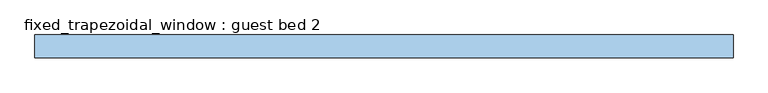
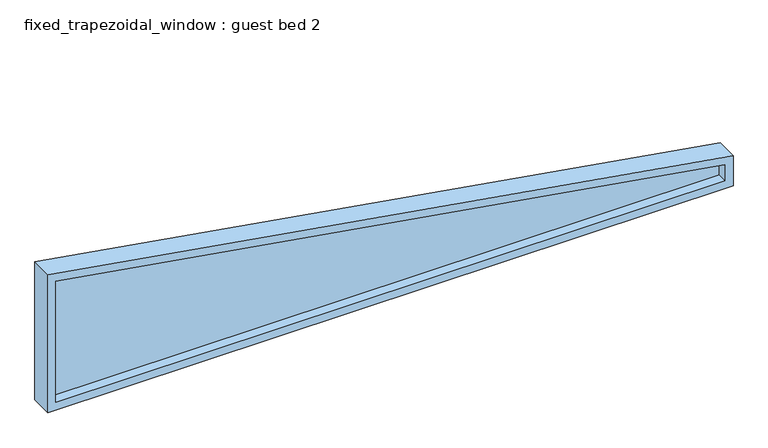
"""IFC4 building model written with IfcOpenShell, lengths in millimetres: window geometry, fixed_trapezoidal_window : guest bed 2."""

from ifc_helpers import new_model, si_unit, frame, origin, place, context, project, spatial, polyline, outline, extrude, source, transform, mapped, element, save


def fixed_trapezoidal_window_guest_bed_2_306ab808(model_context):
    return source(origin(), model_context, "Body", "SweptSolid", [
        extrude(outline(polyline([(1270.0, -2133.6), (1270.0, 2057.4), (1375.1326106, 2057.4), (2073.6326106, -2133.6), (1270.0, -2133.6)])), frame((0.0, -6.35, 0.0), z_axis=(0.0, 1.0, 0.0), x_axis=(0.0, 0.0, 1.0)), (0.0, 0.0, 1.0), 12.7),
        extrude(outline(polyline([(1219.2, 2108.2), (1418.1666667, 2108.2), (2133.6, -2184.4), (1219.2, -2184.4), (1219.2, 2108.2)]), holes=[polyline([(1270.0, 2057.4), (1270.0, -2133.6), (2073.6326106, -2133.6), (1375.1326106, 2057.4), (1270.0, 2057.4)])]), frame((0.0, -69.85, 0.0), z_axis=(0.0, 1.0, 0.0), x_axis=(0.0, 0.0, 1.0)), (0.0, 0.0, 1.0), 139.7),
    ])


if __name__ == "__main__":
    model = new_model("IFC4")
    model_context = context("Model", 3, world=origin())
    ifc_project = project(units=[si_unit("LENGTHUNIT", "METRE", prefix="MILLI")], contexts=[model_context])
    site = spatial("IfcSite", under=ifc_project)
    building = spatial("IfcBuilding", under=site)
    placement = place(None, origin())
    fixed_trapezoidal_window_guest_bed_2_shape = fixed_trapezoidal_window_guest_bed_2_306ab808(model_context)
    element("IfcWindow", 1, ObjectType="fixed_trapezoidal_window : guest bed 2", at=placement, inside=building, context=model_context, shape_type="MappedRepresentation", body=[
        mapped(fixed_trapezoidal_window_guest_bed_2_shape, transform((0.0, 0.0, 0.0), x_axis=(1.0, 0.0, 0.0), y_axis=(0.0, 1.0, 0.0), z_axis=(0.0, 0.0, 1.0))),
    ])
    save(model, "model.ifc")
